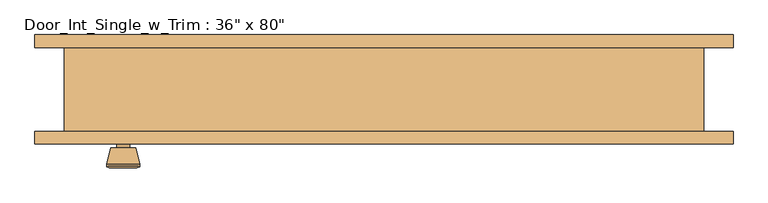
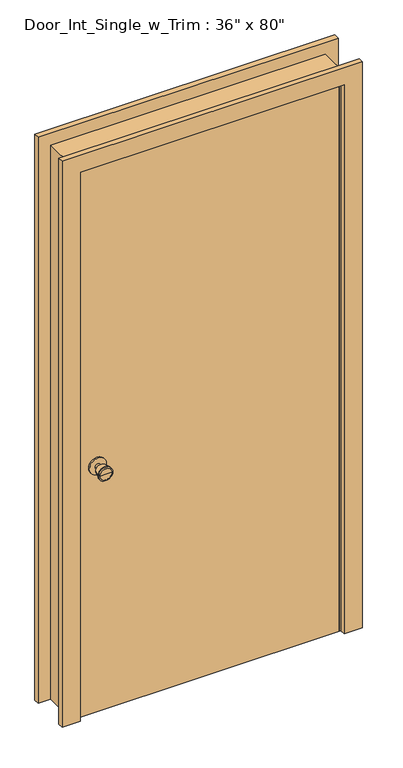
"""IFC4 building model written with IfcOpenShell, lengths in millimetres: door geometry."""

from ifc_helpers import new_model, si_unit, point, frame, frame_2d, origin, origin_with_axes, place, context, project, spatial, polyline, circle_curve, trimmed, segment, composite_curve, outline, extrude, faceted_brep, source, transform, mapped, element, save
from ifc_brep_helpers import plane_surface, cylinder_surface, revolved_surface, advanced_brep


def door_c3708bd2(model_context):
    return source(origin(), model_context, "Body", "SolidModel", [
        advanced_brep(
        [(-393.7, -19.4, 914.4), (-403.7, -19.4, 914.4), (-383.7, -19.4, 914.4), (-373.2241324, 29.6, 914.4), (-414.1758676, 29.6, 914.4), (-393.7, 29.6, 914.4), (-368.7, 27.7721319, 914.4), (-418.7, 27.7721319, 914.4), (-368.7, 24.3084537, 914.4), (-418.7, 24.3084537, 914.4), (-375.063764, -0.4, 914.4), (-412.336236, -0.4, 914.4), (-383.7, -0.4, 914.4), (-403.7, -0.4, 914.4)],
        [
            (0, 1),
            (1, 2, circle_curve(frame((-393.7, -19.4, 914.4), z_axis=(0.0, -1.0, 0.0), x_axis=(-1.0, 0.0, 0.0)), 10.0)),
            (2, 0),
            (2, 1, circle_curve(frame((-393.7, -19.4, 914.4), z_axis=(0.0, -1.0, 0.0), x_axis=(-1.0, 0.0, 0.0)), 10.0)),
            (3, 4, circle_curve(frame((-393.7, 29.6, 914.4), z_axis=(0.0, 1.0, 0.0), x_axis=(-1.0, 0.0, 0.0)), 20.4758676)),
            (4, 5),
            (5, 3),
            (4, 3, circle_curve(frame((-393.7, 29.6, 914.4), z_axis=(0.0, 1.0, 0.0), x_axis=(-1.0, 0.0, 0.0)), 20.4758676)),
            (6, 7, circle_curve(frame((-393.7, 27.7721319, 914.4), z_axis=(0.0, 1.0, 0.0), x_axis=(-1.0, 0.0, 0.0)), 25.0)),
            (7, 4),
            (3, 6),
            (7, 6, circle_curve(frame((-393.7, 27.7721319, 914.4), z_axis=(0.0, 1.0, 0.0), x_axis=(-1.0, 0.0, 0.0)), 25.0)),
            (8, 9, circle_curve(frame((-393.7, 24.3084537, 914.4), z_axis=(0.0, 1.0, 0.0), x_axis=(-1.0, 0.0, 0.0)), 25.0)),
            (9, 7),
            (6, 8),
            (9, 8, circle_curve(frame((-393.7, 24.3084537, 914.4), z_axis=(0.0, 1.0, 0.0), x_axis=(-1.0, 0.0, 0.0)), 25.0)),
            (10, 11, circle_curve(frame((-393.7, -0.4, 914.4), z_axis=(0.0, 1.0, 0.0), x_axis=(-1.0, 0.0, 0.0)), 18.636236)),
            (11, 9),
            (8, 10),
            (11, 10, circle_curve(frame((-393.7, -0.4, 914.4), z_axis=(0.0, 1.0, 0.0), x_axis=(-1.0, 0.0, 0.0)), 18.636236)),
            (12, 13, circle_curve(frame((-393.7, -0.4, 914.4), z_axis=(0.0, 1.0, 0.0), x_axis=(-1.0, 0.0, 0.0)), 10.0)),
            (13, 11),
            (10, 12),
            (13, 12, circle_curve(frame((-393.7, -0.4, 914.4), z_axis=(0.0, 1.0, 0.0), x_axis=(-1.0, 0.0, 0.0)), 10.0)),
            (1, 13),
            (12, 2),
        ],
        [
            plane_surface(frame((-393.7, -19.4, 914.4), z_axis=(0.0, -1.0, 0.0), x_axis=(-1.0, 0.0, 0.0))),
            plane_surface(frame((-393.7, 29.6, 914.4), z_axis=(0.0, 1.0, 0.0), x_axis=(-1.0, 0.0, 0.0))),
            revolved_surface(polyline([(-414.1758676, 29.6, 914.4), (-418.7, 27.7721319, 914.4)]), (-393.7, -19.4, 914.4), (0.0, -1.0, 0.0)),
            cylinder_surface(frame((-393.7, -19.4, 914.4), z_axis=(0.0, -1.0, 0.0), x_axis=(-1.0, 0.0, 0.0)), 25.0),
            revolved_surface(polyline([(-418.7, 24.3084537, 914.4), (-412.336236, -0.4, 914.4)]), (-393.7, -19.4, 914.4), (0.0, -1.0, 0.0)),
            plane_surface(frame((-393.7, -0.4, 914.4), z_axis=(0.0, -1.0, 0.0), x_axis=(-1.0, 0.0, 0.0))),
            cylinder_surface(frame((-393.7, -19.4, 914.4), z_axis=(0.0, -1.0, 0.0), x_axis=(-1.0, 0.0, 0.0)), 10.0),
        ],
        [
            (0, [[1, 2, 3]]),
            (0, [[-3, 4, -1]]),
            (1, [[5, 6, 7]]),
            (1, [[8, -7, -6]]),
            (2, [[9, 10, -5, 11]]),
            (2, [[12, -11, -8, -10]]),
            (3, [[13, 14, -9, 15]]),
            (3, [[16, -15, -12, -14]]),
            (4, [[17, 18, -13, 19]]),
            (4, [[20, -19, -16, -18]]),
            (5, [[21, 22, -17, 23]]),
            (5, [[24, -23, -20, -22]]),
            (6, [[-2, 25, -21, 26]]),
            (6, [[-4, -26, -24, -25]]),
        ],
    ),
        extrude(outline(composite_curve([segment(trimmed(circle_curve(frame_2d((914.4, -393.7)), 30.0), [point((914.4, -423.7))], [point((914.4, -363.7))], False, "CARTESIAN"), True, "CONTINUOUS"), segment(trimmed(circle_curve(frame_2d((914.4, -393.7)), 30.0), [point((914.4, -363.7))], [point((914.4, -423.7))], False, "CARTESIAN"), True, "CONTINUOUS")], self_intersect=False)), frame((0.0, -25.4, 0.0), z_axis=(0.0, 1.0, 0.0), x_axis=(0.0, 0.0, 1.0)), (0.0, 0.0, 1.0), 6.0),
        advanced_brep(
        [(-393.7, -66.325, 914.4), (-383.7, -66.325, 914.4), (-403.7, -66.325, 914.4), (-373.2241324, -115.325, 914.4), (-393.7, -115.325, 914.4), (-414.1758676, -115.325, 914.4), (-368.7, -113.4971319, 914.4), (-418.7, -113.4971319, 914.4), (-368.7, -110.0334537, 914.4), (-418.7, -110.0334537, 914.4), (-375.063764, -85.325, 914.4), (-412.336236, -85.325, 914.4), (-383.7, -85.325, 914.4), (-403.7, -85.325, 914.4)],
        [
            (0, 1),
            (1, 2, circle_curve(frame((-393.7, -66.325, 914.4), z_axis=(0.0, 1.0, 0.0), x_axis=(-1.0, 0.0, 0.0)), 10.0)),
            (2, 0),
            (2, 1, circle_curve(frame((-393.7, -66.325, 914.4), z_axis=(0.0, 1.0, 0.0), x_axis=(-1.0, 0.0, 0.0)), 10.0)),
            (3, 4),
            (4, 5),
            (5, 3, circle_curve(frame((-393.7, -115.325, 914.4), z_axis=(0.0, -1.0, 0.0), x_axis=(-1.0, 0.0, 0.0)), 20.4758676)),
            (3, 5, circle_curve(frame((-393.7, -115.325, 914.4), z_axis=(0.0, -1.0, 0.0), x_axis=(-1.0, 0.0, 0.0)), 20.4758676)),
            (6, 3),
            (5, 7),
            (7, 6, circle_curve(frame((-393.7, -113.4971319, 914.4), z_axis=(0.0, -1.0, 0.0), x_axis=(-1.0, 0.0, 0.0)), 25.0)),
            (6, 7, circle_curve(frame((-393.7, -113.4971319, 914.4), z_axis=(0.0, -1.0, 0.0), x_axis=(-1.0, 0.0, 0.0)), 25.0)),
            (8, 6),
            (7, 9),
            (9, 8, circle_curve(frame((-393.7, -110.0334537, 914.4), z_axis=(0.0, -1.0, 0.0), x_axis=(-1.0, 0.0, 0.0)), 25.0)),
            (8, 9, circle_curve(frame((-393.7, -110.0334537, 914.4), z_axis=(0.0, -1.0, 0.0), x_axis=(-1.0, 0.0, 0.0)), 25.0)),
            (10, 8),
            (9, 11),
            (11, 10, circle_curve(frame((-393.7, -85.325, 914.4), z_axis=(0.0, -1.0, 0.0), x_axis=(-1.0, 0.0, 0.0)), 18.636236)),
            (10, 11, circle_curve(frame((-393.7, -85.325, 914.4), z_axis=(0.0, -1.0, 0.0), x_axis=(-1.0, 0.0, 0.0)), 18.636236)),
            (12, 10),
            (11, 13),
            (13, 12, circle_curve(frame((-393.7, -85.325, 914.4), z_axis=(0.0, -1.0, 0.0), x_axis=(-1.0, 0.0, 0.0)), 10.0)),
            (12, 13, circle_curve(frame((-393.7, -85.325, 914.4), z_axis=(0.0, -1.0, 0.0), x_axis=(-1.0, 0.0, 0.0)), 10.0)),
            (1, 12),
            (13, 2),
        ],
        [
            plane_surface(frame((-393.7, -66.325, 914.4), z_axis=(0.0, 1.0, 0.0), x_axis=(-1.0, 0.0, 0.0))),
            plane_surface(frame((-393.7, -115.325, 914.4), z_axis=(0.0, -1.0, 0.0), x_axis=(-1.0, 0.0, 0.0))),
            revolved_surface(polyline([(-414.1758676, -115.325, 914.4), (-418.7, -113.4971319, 914.4)]), (-393.7, -66.325, 914.4), (0.0, 1.0, 0.0)),
            cylinder_surface(frame((-393.7, -66.325, 914.4), z_axis=(0.0, 1.0, 0.0), x_axis=(-1.0, 0.0, 0.0)), 25.0),
            revolved_surface(polyline([(-418.7, -110.0334537, 914.4), (-412.336236, -85.325, 914.4)]), (-393.7, -66.325, 914.4), (0.0, 1.0, 0.0)),
            plane_surface(frame((-393.7, -85.325, 914.4), z_axis=(0.0, 1.0, 0.0), x_axis=(-1.0, 0.0, 0.0))),
            cylinder_surface(frame((-393.7, -66.325, 914.4), z_axis=(0.0, 1.0, 0.0), x_axis=(-1.0, 0.0, 0.0)), 10.0),
        ],
        [
            (0, [[1, 2, 3]]),
            (0, [[-3, 4, -1]]),
            (1, [[5, 6, 7]]),
            (1, [[-6, -5, 8]]),
            (2, [[9, -7, 10, 11]]),
            (2, [[-10, -8, -9, 12]]),
            (3, [[13, -11, 14, 15]]),
            (3, [[-14, -12, -13, 16]]),
            (4, [[17, -15, 18, 19]]),
            (4, [[-18, -16, -17, 20]]),
            (5, [[21, -19, 22, 23]]),
            (5, [[-22, -20, -21, 24]]),
            (6, [[25, -23, 26, -2]]),
            (6, [[-26, -24, -25, -4]]),
        ],
    ),
        extrude(outline(composite_curve([segment(trimmed(circle_curve(frame_2d((914.4, -393.7)), 30.0), [point((914.4, -423.7))], [point((914.4, -363.7))], False, "CARTESIAN"), True, "CONTINUOUS"), segment(trimmed(circle_curve(frame_2d((914.4, -393.7)), 30.0), [point((914.4, -363.7))], [point((914.4, -423.7))], False, "CARTESIAN"), True, "CONTINUOUS")], self_intersect=False)), frame((0.0, -66.325, 0.0), z_axis=(0.0, 1.0, 0.0), x_axis=(0.0, 0.0, 1.0)), (0.0, 0.0, 1.0), 6.0),
        faceted_brep([(482.6, -60.325, 0.0), (457.2, -60.325, 0.0), (457.2, -25.4, 0.0), (444.5, -25.4, 0.0), (444.5, 9.525, 0.0), (457.2, 9.525, 0.0), (457.2, 66.675, 0.0), (482.6, 66.675, 0.0), (482.6, 66.675, 2057.4), (482.6, -60.325, 2057.4), (457.2, 66.675, 2032.0), (-457.2, 66.675, 2032.0), (-457.2, 66.675, 0.0), (-482.6, 66.675, 0.0), (-482.6, 66.675, 2057.4), (457.2, 9.525, 2032.0), (444.5, 9.525, 2019.3), (-444.5, 9.525, 2019.3), (-444.5, 9.525, 0.0), (-457.2, 9.525, 0.0), (-457.2, 9.525, 2032.0), (444.5, -25.4, 2019.3), (457.2, -25.4, 2032.0), (-457.2, -25.4, 2032.0), (-457.2, -25.4, 0.0), (-444.5, -25.4, 0.0), (-444.5, -25.4, 2019.3), (457.2, -60.325, 2032.0), (-482.6, -60.325, 2057.4), (-482.6, -60.325, 0.0), (-457.2, -60.325, 0.0), (-457.2, -60.325, 2032.0)], [[[0, 1, 2, 3, 4, 5, 6, 7]], [[7, 8, 9, 0]], [[6, 10, 11, 12, 13, 14, 8, 7]], [[5, 15, 10, 6]], [[4, 16, 17, 18, 19, 20, 15, 5]], [[3, 21, 16, 4]], [[2, 22, 23, 24, 25, 26, 21, 3]], [[1, 27, 22, 2]], [[0, 9, 28, 29, 30, 31, 27, 1]], [[8, 14, 28, 9]], [[15, 20, 11, 10]], [[21, 26, 17, 16]], [[27, 31, 23, 22]], [[29, 13, 12, 19, 18, 25, 24, 30]], [[14, 13, 29, 28]], [[20, 19, 12, 11]], [[26, 25, 18, 17]], [[31, 30, 24, 23]]]),
        extrude(outline(polyline([(457.2, -25.4), (457.2, -60.325), (-457.2, -60.325), (-457.2, -25.4), (457.2, -25.4)])), origin_with_axes(), (0.0, 0.0, 1.0), 2032.0),
        extrude(outline(polyline([(0.0, 527.05), (2101.85, 527.05), (2101.85, -527.05), (0.0, -527.05), (0.0, -463.55), (2038.35, -463.55), (2038.35, 463.55), (0.0, 463.55), (0.0, 527.05)])), frame((0.0, -79.375, 0.0), z_axis=(0.0, 1.0, 0.0), x_axis=(0.0, 0.0, 1.0)), (0.0, 0.0, 1.0), 19.05),
        extrude(outline(polyline([(0.0, 527.05), (2101.85, 527.05), (2101.85, -527.05), (0.0, -527.05), (0.0, -463.55), (2038.35, -463.55), (2038.35, 463.55), (0.0, 463.55), (0.0, 527.05)])), frame((0.0, 66.675, 0.0), z_axis=(0.0, 1.0, 0.0), x_axis=(0.0, 0.0, 1.0)), (0.0, 0.0, 1.0), 19.05),
    ])


if __name__ == "__main__":
    model = new_model("IFC4")
    model_context = context("Model", 3, world=origin())
    ifc_project = project(units=[si_unit("LENGTHUNIT", "METRE", prefix="MILLI")], contexts=[model_context])
    site = spatial("IfcSite", under=ifc_project)
    building = spatial("IfcBuilding", under=site)
    placement = place(None, origin())
    door_shape = door_c3708bd2(model_context)
    element("IfcDoor", 1, ObjectType="Door_Int_Single_w_Trim : 36\" x 80\"", at=placement, inside=building, context=model_context, shape_type="MappedRepresentation", body=[
        mapped(door_shape, transform((0.0, 0.0, 0.0), x_axis=(1.0, 0.0, 0.0), y_axis=(0.0, 1.0, 0.0), z_axis=(0.0, 0.0, 1.0))),
    ])
    save(model, "model.ifc")
